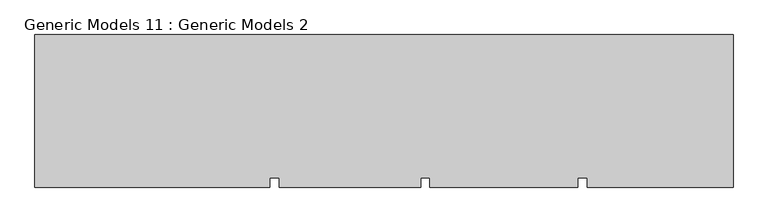
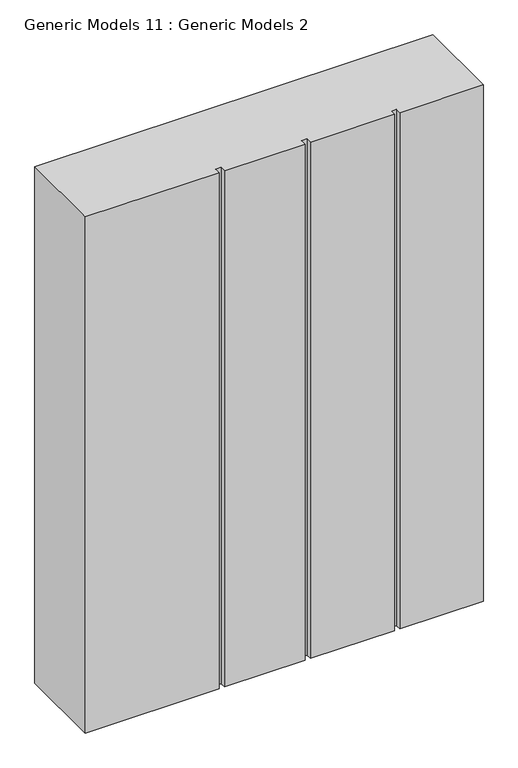
"""IFC4 building model written with IfcOpenShell, lengths in millimetres: proxy geometry, Generic Models 11 : Generic Models 2."""

from ifc_helpers import new_model, si_unit, frame, origin, place, context, project, spatial, polyline, outline, extrude, source, transform, mapped, element, save


def generic_models_11_generic_models_2_976bc665(model_context):
    return source(origin(), model_context, "Body", "SweptSolid", [
        extrude(outline(polyline([(2231.7164352, -19881.5060032), (2231.7164352, -20368.5482183), (1767.3070227, -20368.5482183), (1767.3070227, -20336.9057177), (1737.2735899, -20336.9057177), (1737.2735899, -20368.5482183), (1267.3070227, -20368.5482183), (1267.3070227, -20336.9057177), (1237.2735899, -20336.9057177), (1237.2735899, -20368.5482183), (787.3070227, -20368.5482183), (787.3070227, -20336.9057177), (757.2735899, -20336.9057177), (757.2735899, -20368.5482183), (10.2901007, -20368.5482183), (10.2901007, -19881.5060032), (2231.7164352, -19881.5060032)])), frame((0.0, 0.0, 6000.0), z_axis=(0.0, 0.0, 1.0), x_axis=(1.0, 0.0, 0.0)), (0.0, 0.0, 1.0), 3044.7067261),
    ])


if __name__ == "__main__":
    model = new_model("IFC4")
    model_context = context("Model", 3, world=origin())
    ifc_project = project(units=[si_unit("LENGTHUNIT", "METRE", prefix="MILLI")], contexts=[model_context])
    site = spatial("IfcSite", under=ifc_project)
    building = spatial("IfcBuilding", under=site)
    placement = place(None, origin())
    generic_models_11_generic_models_2_shape = generic_models_11_generic_models_2_976bc665(model_context)
    element("IfcBuildingElementProxy", 1, Name="Generic Models 11 : Generic Models 2", ObjectType="Generic Models 11 : Generic Models 2", at=placement, inside=building, context=model_context, shape_type="MappedRepresentation", body=[
        mapped(generic_models_11_generic_models_2_shape, transform((0.0, 0.0, 0.0), x_axis=(1.0, 0.0, 0.0), y_axis=(0.0, 1.0, 0.0), z_axis=(0.0, 0.0, 1.0))),
    ])
    save(model, "model.ifc")
